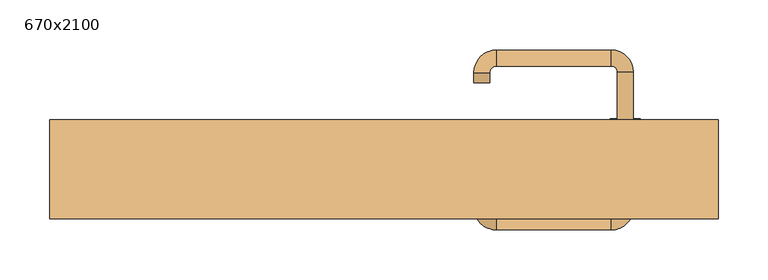
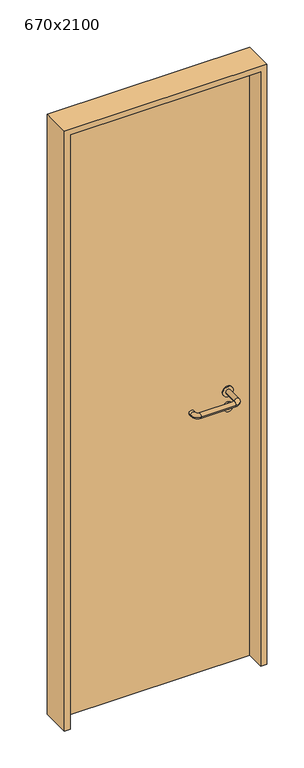
"""IFC4 building model written with IfcOpenShell, lengths in millimetres: door geometry, 670x2100."""

from ifc_helpers import new_model, si_unit, point, frame, frame_2d, origin, origin_with_axes, place, context, project, spatial, polyline, circle_curve, ellipse_curve, trimmed, segment, composite_curve, outline, extrude, source, transform, mapped, element, save
from ifc_brep_helpers import plane_surface, cylinder_surface, revolved_surface, advanced_brep


def door_670x2100_3931ba47(model_context):
    return source(origin(), model_context, "Body", "SolidModel", [
        extrude(outline(composite_curve([segment(trimmed(circle_curve(frame_2d((897.3605726, 242.0)), 15.0), [point((897.3605726, 257.0))], [point((897.3605726, 227.0))], False, "CARTESIAN"), True, "CONTINUOUS"), segment(trimmed(circle_curve(frame_2d((897.3605726, 242.0)), 15.0), [point((897.3605726, 227.0))], [point((897.3605726, 257.0))], False, "CARTESIAN"), True, "CONTINUOUS")], self_intersect=False), holes=[composite_curve([segment(trimmed(circle_curve(frame_2d((892.5833211, 241.9398032)), 2.0), [point((892.5833211, 243.9398032))], [point((892.5833211, 239.9398032))], True, "CARTESIAN"), True, "CONTINUOUS"), segment(polyline([(892.5833211, 239.9398032), (902.5833211, 239.9398032)]), True, "CONTINUOUS"), segment(trimmed(circle_curve(frame_2d((902.5833211, 241.9398032)), 2.0), [point((902.5833211, 239.9398032))], [point((902.5833211, 243.9398032))], True, "CARTESIAN"), True, "CONTINUOUS"), segment(polyline([(902.5833211, 243.9398032), (892.5833211, 243.9398032)]), True, "CONTINUOUS")], self_intersect=False)]), frame((0.0, 8.65, 0.0), z_axis=(0.0, 1.0, 0.0), x_axis=(0.0, 0.0, 1.0)), (0.0, 0.0, 1.0), 6.35),
        extrude(outline(composite_curve([segment(trimmed(circle_curve(frame_2d((950.0, 242.0)), 17.526), [point((950.0, 259.526))], [point((950.0, 224.474))], False, "CARTESIAN"), True, "CONTINUOUS"), segment(trimmed(circle_curve(frame_2d((950.0, 242.0)), 17.526), [point((950.0, 224.474))], [point((950.0, 259.526))], False, "CARTESIAN"), True, "CONTINUOUS")], self_intersect=False)), frame((0.0, 11.825, 0.0), z_axis=(0.0, 1.0, 0.0), x_axis=(0.0, 0.0, 1.0)), (0.0, 0.0, 1.0), 3.175),
        advanced_brep(
        [(250.0, 15.0, 950.0), (234.0, 15.0, 950.0), (234.0, -38.0, 950.0), (250.0, -38.0, 950.0), (227.8578644, -44.1421356, 950.0), (227.8578644, -60.1421356, 950.0), (112.8578644, -44.1421356, 950.0), (112.8578644, -60.1421356, 950.0), (106.008622, -37.2928932, 950.0), (90.008622, -37.2928932, 950.0), (90.008622, -27.2928932, 950.0), (106.008622, -27.2928932, 950.0)],
        [
            (0, 1, circle_curve(frame((242.0, 15.0, 950.0), z_axis=(0.0, 1.0, 0.0), x_axis=(-1.0, 0.0, 0.0)), 8.0)),
            (1, 0, circle_curve(frame((242.0, 15.0, 950.0), z_axis=(0.0, 1.0, 0.0), x_axis=(-1.0, 0.0, 0.0)), 8.0)),
            (1, 2),
            (2, 3, circle_curve(frame((242.0, -38.0, 950.0), z_axis=(0.0, 1.0, 0.0), x_axis=(-1.0, 0.0, 0.0)), 8.0)),
            (3, 0),
            (3, 2, circle_curve(frame((242.0, -38.0, 950.0), z_axis=(0.0, 1.0, 0.0), x_axis=(-1.0, 0.0, 0.0)), 8.0)),
            (4, 5, circle_curve(frame((227.8578644, -52.1421356, 950.0), z_axis=(1.0, 0.0, 0.0), x_axis=(0.0, 1.0, 0.0)), 8.0)),
            (5, 3, circle_curve(frame((227.8578644, -38.0, 950.0), z_axis=(0.0, 0.0, 1.0), x_axis=(1.0, 0.0, 0.0)), 22.1421356)),
            (2, 4, circle_curve(frame((227.8578644, -38.0, 950.0), z_axis=(0.0, 0.0, -1.0), x_axis=(1.0, 0.0, 0.0)), 6.1421356)),
            (5, 4, circle_curve(frame((227.8578644, -52.1421356, 950.0), z_axis=(1.0, 0.0, 0.0), x_axis=(0.0, 1.0, 0.0)), 8.0)),
            (4, 6),
            (6, 7, circle_curve(frame((112.8578644, -52.1421356, 950.0), z_axis=(1.0, 0.0, 0.0), x_axis=(0.0, 1.0, 0.0)), 8.0)),
            (7, 5),
            (7, 6, circle_curve(frame((112.8578644, -52.1421356, 950.0), z_axis=(1.0, 0.0, 0.0), x_axis=(0.0, 1.0, 0.0)), 8.0)),
            (8, 9, circle_curve(frame((98.008622, -37.2928932, 950.0), z_axis=(0.0, -1.0, 0.0), x_axis=(1.0, 0.0, 0.0)), 8.0)),
            (9, 7, circle_curve(frame((112.8578644, -37.2928932, 950.0), z_axis=(0.0, 0.0, 1.0), x_axis=(0.0, -1.0, 0.0)), 22.8492424)),
            (6, 8, circle_curve(frame((112.8578644, -37.2928932, 950.0), z_axis=(0.0, 0.0, -1.0), x_axis=(0.0, -1.0, 0.0)), 6.8492424)),
            (9, 8, circle_curve(frame((98.008622, -37.2928932, 950.0), z_axis=(0.0, -1.0, 0.0), x_axis=(1.0, 0.0, 0.0)), 8.0)),
            (10, 11, circle_curve(frame((98.008622, -27.2928932, 950.0), z_axis=(0.0, 1.0, 0.0), x_axis=(1.0, 0.0, 0.0)), 8.0)),
            (11, 10, circle_curve(frame((98.008622, -27.2928932, 950.0), z_axis=(0.0, 1.0, 0.0), x_axis=(1.0, 0.0, 0.0)), 8.0)),
            (8, 11),
            (10, 9),
        ],
        [
            plane_surface(frame((242.0, 15.0, 0.0), z_axis=(0.0, 1.0, 0.0), x_axis=(0.0, 0.0, 1.0))),
            cylinder_surface(frame((242.0, 15.0, 950.0), z_axis=(0.0, 1.0, 0.0), x_axis=(-1.0, 0.0, 0.0)), 8.0),
            revolved_surface(trimmed(ellipse_curve(frame((242.0, -38.0, 950.0), z_axis=(0.0, -1.0, 0.0), x_axis=(-1.0, 0.0, 0.0)), 8.0, 8.0), [point((250.0, -38.0, 950.0))], [point((234.0, -38.0, 950.0))], True, "CARTESIAN"), (227.8578644, -38.0, 0.0), (0.0, 0.0, 1.0)),
            revolved_surface(trimmed(ellipse_curve(frame((242.0, -38.0, 950.0), z_axis=(0.0, -1.0, 0.0), x_axis=(-1.0, 0.0, 0.0)), 8.0, 8.0), [point((234.0, -38.0, 950.0))], [point((250.0, -38.0, 950.0))], True, "CARTESIAN"), (227.8578644, -38.0, 0.0), (0.0, 0.0, 1.0)),
            cylinder_surface(frame((227.8578644, -52.1421356, 950.0), z_axis=(1.0, 0.0, 0.0), x_axis=(0.0, 1.0, 0.0)), 8.0),
            revolved_surface(trimmed(ellipse_curve(frame((112.8578644, -52.1421356, 950.0), z_axis=(-1.0, 0.0, 0.0), x_axis=(0.0, 1.0, 0.0)), 8.0, 8.0), [point((112.8578644, -60.1421356, 950.0))], [point((112.8578644, -44.1421356, 950.0))], True, "CARTESIAN"), (112.8578644, -37.2928932, 0.0), (0.0, 0.0, 1.0)),
            revolved_surface(trimmed(ellipse_curve(frame((112.8578644, -52.1421356, 950.0), z_axis=(-1.0, 0.0, 0.0), x_axis=(0.0, 1.0, 0.0)), 8.0, 8.0), [point((112.8578644, -44.1421356, 950.0))], [point((112.8578644, -60.1421356, 950.0))], True, "CARTESIAN"), (112.8578644, -37.2928932, 0.0), (0.0, 0.0, 1.0)),
            plane_surface(frame((98.008622, -27.2928932, 0.0), z_axis=(0.0, 1.0, 0.0), x_axis=(0.0, 0.0, 1.0))),
            cylinder_surface(frame((98.008622, -37.2928932, 950.0), z_axis=(0.0, -1.0, 0.0), x_axis=(1.0, 0.0, 0.0)), 8.0),
        ],
        [
            (0, [[1, 2]]),
            (1, [[3, 4, 5, -2]]),
            (1, [[-5, 6, -3, -1]]),
            (2, [[7, 8, -4, 9]]),
            (3, [[10, -9, -6, -8]]),
            (4, [[11, 12, 13, -7]]),
            (4, [[-13, 14, -11, -10]]),
            (5, [[15, 16, -12, 17]]),
            (6, [[18, -17, -14, -16]]),
            (7, [[19, 20]]),
            (8, [[21, -19, 22, -15]]),
            (8, [[-22, -20, -21, -18]]),
        ],
    ),
        extrude(outline(composite_curve([segment(trimmed(circle_curve(frame_2d((0.0, -15.0)), 15.0), [point((0.0, -30.0))], [point((0.0, 0.0))], False, "CARTESIAN"), True, "CONTINUOUS"), segment(trimmed(circle_curve(frame_2d((0.0, -15.0)), 15.0), [point((0.0, 0.0))], [point((0.0, -30.0))], False, "CARTESIAN"), True, "CONTINUOUS")], self_intersect=False), holes=[composite_curve([segment(trimmed(circle_curve(frame_2d((4.7772515, -14.9398032)), 2.0), [point((4.7772515, -16.9398032))], [point((4.7772515, -12.9398032))], True, "CARTESIAN"), True, "CONTINUOUS"), segment(polyline([(4.7772515, -12.9398032), (-5.2227485, -12.9398032)]), True, "CONTINUOUS"), segment(trimmed(circle_curve(frame_2d((-5.2227485, -14.9398032)), 2.0), [point((-5.2227485, -12.9398032))], [point((-5.2227485, -16.9398032))], True, "CARTESIAN"), True, "CONTINUOUS"), segment(polyline([(-5.2227485, -16.9398032), (4.7772515, -16.9398032)]), True, "CONTINUOUS")], self_intersect=False)]), frame((227.0, 45.0, 897.3605726), z_axis=(1.8870575173328306e-12, 1.0, 0.0), x_axis=(0.0, 0.0, -1.0)), (0.0, 0.0, 1.0), 6.35),
        extrude(outline(composite_curve([segment(trimmed(circle_curve(frame_2d((0.0, -17.526)), 17.526), [point((0.0, -35.052))], [point((0.0, 0.0))], False, "CARTESIAN"), True, "CONTINUOUS"), segment(trimmed(circle_curve(frame_2d((0.0, -17.526)), 17.526), [point((0.0, 0.0))], [point((0.0, -35.052))], False, "CARTESIAN"), True, "CONTINUOUS")], self_intersect=False)), frame((224.474, 45.0, 950.0), z_axis=(1.8870575173328306e-12, 1.0, 0.0), x_axis=(0.0, 0.0, -1.0)), (0.0, 0.0, 1.0), 3.175),
        advanced_brep(
        [(250.0, 45.0, 950.0), (234.0, 45.0, 950.0), (250.0, 98.0, 950.0), (234.0, 98.0, 950.0), (227.8578644, 104.1421356, 950.0), (227.8578644, 120.1421356, 950.0), (112.8578644, 120.1421356, 950.0), (112.8578644, 104.1421356, 950.0), (106.008622, 97.2928932, 950.0), (90.008622, 97.2928932, 950.0), (90.008622, 87.2928932, 950.0), (106.008622, 87.2928932, 950.0)],
        [
            (0, 1, circle_curve(frame((242.0, 45.0, 950.0), z_axis=(-1.888672253512351e-12, -1.0, 0.0), x_axis=(-1.0, 1.888672253512351e-12, 0.0)), 8.0)),
            (1, 0, circle_curve(frame((242.0, 45.0, 950.0), z_axis=(-1.888672253512351e-12, -1.0, 0.0), x_axis=(-1.0, 1.888672253512351e-12, 0.0)), 8.0)),
            (0, 2),
            (2, 3, circle_curve(frame((242.0, 98.0, 950.0), z_axis=(-1.888672253512351e-12, -1.0, 0.0), x_axis=(-1.0, 1.888672253512351e-12, 0.0)), 8.0)),
            (3, 1),
            (3, 2, circle_curve(frame((242.0, 98.0, 950.0), z_axis=(-1.888672253512351e-12, -1.0, 0.0), x_axis=(-1.0, 1.888672253512351e-12, 0.0)), 8.0)),
            (4, 3, circle_curve(frame((227.8578644, 98.0, 950.0), z_axis=(0.0, 0.0, -1.0), x_axis=(1.0, -1.880717803715015e-12, 0.0)), 6.1421356)),
            (2, 5, circle_curve(frame((227.8578644, 98.0, 950.0), z_axis=(0.0, 0.0, 1.0), x_axis=(1.0, -1.880717803715015e-12, 0.0)), 22.1421356)),
            (5, 4, circle_curve(frame((227.8578644, 112.1421356, 950.0), z_axis=(1.0, -1.913702061528922e-12, 0.0), x_axis=(-1.913702061528922e-12, -1.0, 0.0)), 8.0)),
            (4, 5, circle_curve(frame((227.8578644, 112.1421356, 950.0), z_axis=(1.0, -1.913702061528922e-12, 0.0), x_axis=(-1.913702061528922e-12, -1.0, 0.0)), 8.0)),
            (5, 6),
            (6, 7, circle_curve(frame((112.8578644, 112.1421356, 950.0), z_axis=(1.0, -1.913719828541269e-12, 0.0), x_axis=(-1.913719828541269e-12, -1.0, 0.0)), 8.0)),
            (7, 4),
            (7, 6, circle_curve(frame((112.8578644, 112.1421356, 950.0), z_axis=(1.0, -1.913719828541269e-12, 0.0), x_axis=(-1.913719828541269e-12, -1.0, 0.0)), 8.0)),
            (8, 7, circle_curve(frame((112.8578644, 97.2928932, 950.0), z_axis=(0.0, 0.0, -1.0), x_axis=(1.9120873253494017e-12, 1.0, 0.0)), 6.8492424)),
            (6, 9, circle_curve(frame((112.8578644, 97.2928932, 950.0), z_axis=(0.0, 0.0, 1.0), x_axis=(1.9120873253494017e-12, 1.0, 0.0)), 22.8492424)),
            (9, 8, circle_curve(frame((98.008622, 97.2928932, 950.0), z_axis=(1.890448610351751e-12, 1.0, 0.0), x_axis=(1.0, -1.890448610351751e-12, 0.0)), 8.0)),
            (8, 9, circle_curve(frame((98.008622, 97.2928932, 950.0), z_axis=(1.8888942981172756e-12, 1.0, 0.0), x_axis=(1.0, -1.8888942981172756e-12, 0.0)), 8.0)),
            (10, 11, circle_curve(frame((98.008622, 87.2928932, 950.0), z_axis=(-1.8903642334018795e-12, -1.0, 0.0), x_axis=(1.0, -1.8903642334018795e-12, 0.0)), 8.0)),
            (11, 10, circle_curve(frame((98.008622, 87.2928932, 950.0), z_axis=(-1.8903642334018795e-12, -1.0, 0.0), x_axis=(1.0, -1.8903642334018795e-12, 0.0)), 8.0)),
            (9, 10),
            (11, 8),
        ],
        [
            plane_surface(frame((242.0, 45.0, 0.0), z_axis=(-1.8870575173328306e-12, -1.0, 0.0), x_axis=(0.0, 0.0, 1.0))),
            cylinder_surface(frame((242.0, 45.0, 950.0), z_axis=(-1.888672253512351e-12, -1.0, 0.0), x_axis=(-1.0, 1.888672253512351e-12, 0.0)), 8.0),
            revolved_surface(trimmed(ellipse_curve(frame((242.0, 98.0, 950.0), z_axis=(-1.8823325398945356e-12, -1.0, 0.0), x_axis=(-1.0, 1.8823325398945356e-12, 0.0)), 8.0, 8.0), [point((250.0, 98.0, 950.0))], [point((234.0, 98.0, 950.0))], True, "CARTESIAN"), (227.8578644, 98.0, 0.0), (0.0, 0.0, 1.0)),
            revolved_surface(trimmed(ellipse_curve(frame((242.0, 98.0, 950.0), z_axis=(-1.8823325398945356e-12, -1.0, 0.0), x_axis=(-1.0, 1.8823325398945356e-12, 0.0)), 8.0, 8.0), [point((234.0, 98.0, 950.0))], [point((250.0, 98.0, 950.0))], True, "CARTESIAN"), (227.8578644, 98.0, 0.0), (0.0, 0.0, 1.0)),
            cylinder_surface(frame((227.8578644, 112.1421356, 950.0), z_axis=(1.0, -1.913719828541269e-12, 0.0), x_axis=(-1.913719828541269e-12, -1.0, 0.0)), 8.0),
            revolved_surface(trimmed(ellipse_curve(frame((112.8578644, 112.1421356, 950.0), z_axis=(1.0, -1.913702061528922e-12, 0.0), x_axis=(-1.913702061528922e-12, -1.0, 0.0)), 8.0, 8.0), [point((112.8578644, 120.1421356, 950.0))], [point((112.8578644, 104.1421356, 950.0))], True, "CARTESIAN"), (112.8578644, 97.2928932, 0.0), (0.0, 0.0, 1.0)),
            revolved_surface(trimmed(ellipse_curve(frame((112.8578644, 112.1421356, 950.0), z_axis=(1.0, -1.913702061528922e-12, 0.0), x_axis=(-1.913702061528922e-12, -1.0, 0.0)), 8.0, 8.0), [point((112.8578644, 104.1421356, 950.0))], [point((112.8578644, 120.1421356, 950.0))], True, "CARTESIAN"), (112.8578644, 97.2928932, 0.0), (0.0, 0.0, 1.0)),
            plane_surface(frame((98.008622, 87.2928932, 0.0), z_axis=(-1.8887494972223595e-12, -1.0, 0.0), x_axis=(0.0, 0.0, 1.0))),
            cylinder_surface(frame((98.008622, 97.2928932, 950.0), z_axis=(1.8903642334018795e-12, 1.0, 0.0), x_axis=(1.0, -1.8903642334018795e-12, 0.0)), 8.0),
        ],
        [
            (0, [[1, 2]]),
            (1, [[-1, 3, 4, 5]]),
            (1, [[-2, -5, 6, -3]]),
            (2, [[7, -4, 8, 9]]),
            (3, [[-8, -6, -7, 10]]),
            (4, [[-9, 11, 12, 13]]),
            (4, [[-10, -13, 14, -11]]),
            (5, [[15, -12, 16, 17]]),
            (6, [[-16, -14, -15, 18]]),
            (7, [[19, 20]]),
            (8, [[-17, 21, -20, 22]]),
            (8, [[-18, -22, -19, -21]]),
        ],
    ),
        extrude(outline(polyline([(2080.0, 315.0), (0.0, 315.0), (0.0, 335.0), (2100.0, 335.0), (2100.0, -335.0), (0.0, -335.0), (0.0, -315.0), (2080.0, -315.0), (2080.0, 315.0)])), frame((0.0, -49.0, 0.0), z_axis=(0.0, 1.0, 0.0), x_axis=(0.0, 0.0, 1.0)), (0.0, 0.0, 1.0), 99.0),
        extrude(outline(polyline([(-315.0, 45.0), (315.0, 45.0), (315.0, 15.0), (-315.0, 15.0), (-315.0, 45.0)])), origin_with_axes(), (0.0, 0.0, 1.0), 2080.0),
    ])


if __name__ == "__main__":
    model = new_model("IFC4")
    model_context = context("Model", 3, world=origin())
    ifc_project = project(units=[si_unit("LENGTHUNIT", "METRE", prefix="MILLI")], contexts=[model_context])
    site = spatial("IfcSite", under=ifc_project)
    building = spatial("IfcBuilding", under=site)
    placement = place(None, origin())
    door_670x2100_shape = door_670x2100_3931ba47(model_context)
    element("IfcDoor", 1, ObjectType="670x2100", at=placement, inside=building, context=model_context, shape_type="MappedRepresentation", body=[
        mapped(door_670x2100_shape, transform((0.0, 0.0, 0.0), x_axis=(1.0, 0.0, 0.0), y_axis=(0.0, 1.0, 0.0), z_axis=(0.0, 0.0, 1.0))),
    ])
    save(model, "model.ifc")
